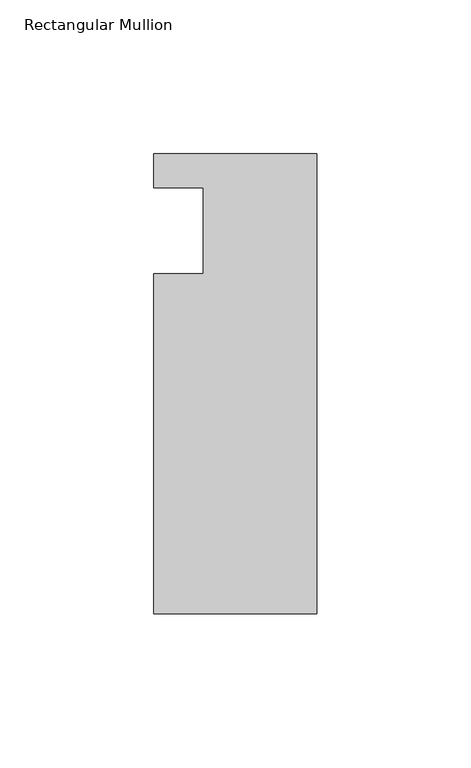
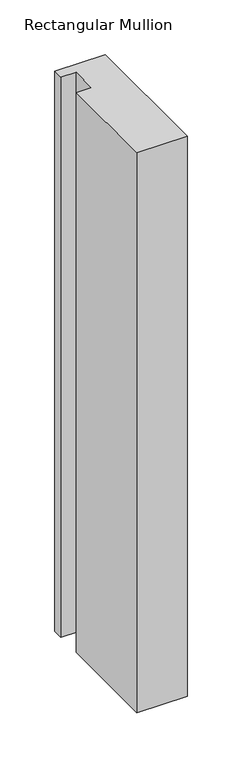
"""IFC4 building model written with IfcOpenShell, lengths in millimetres: member geometry, Rectangular Mullion."""

from ifc_helpers import new_model, si_unit, frame, origin, place, context, project, spatial, polyline, outline, extrude, source, transform, mapped, element, save


def rectangular_mullion_2332299a(model_context):
    return source(origin(), model_context, "Body", "SweptSolid", [
        extrude(outline(polyline([(-37.0, 13.9999453), (-53.0, 13.9999453), (-53.0, 24.9999453), (0.0, 24.9999453), (0.0, -124.5000547), (-53.0, -124.5000547), (-53.0, -14.0000547), (-37.0, -14.0000547), (-37.0, 13.9999453)])), frame((0.0, 0.0, -623.717457), z_axis=(0.0, 0.0, 1.0), x_axis=(1.0, 0.0, 0.0)), (0.0, 0.0, 1.0), 623.717457),
    ])


if __name__ == "__main__":
    model = new_model("IFC4")
    model_context = context("Model", 3, world=origin())
    ifc_project = project(units=[si_unit("LENGTHUNIT", "METRE", prefix="MILLI")], contexts=[model_context])
    site = spatial("IfcSite", under=ifc_project)
    building = spatial("IfcBuilding", under=site)
    placement = place(None, origin())
    rectangular_mullion_shape = rectangular_mullion_2332299a(model_context)
    element("IfcMember", 1, ObjectType="Rectangular Mullion", at=placement, inside=building, context=model_context, shape_type="MappedRepresentation", body=[
        mapped(rectangular_mullion_shape, transform((0.0, 0.0, 0.0), x_axis=(1.0, 0.0, 0.0), y_axis=(0.0, 1.0, 0.0), z_axis=(0.0, 0.0, 1.0))),
    ])
    save(model, "model.ifc")
